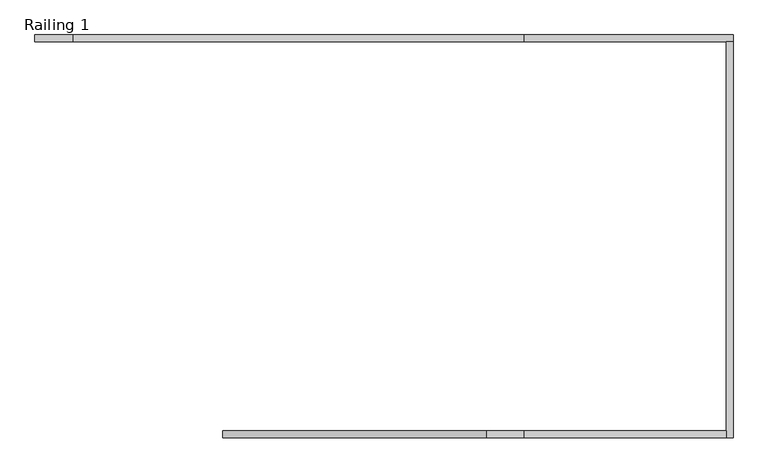
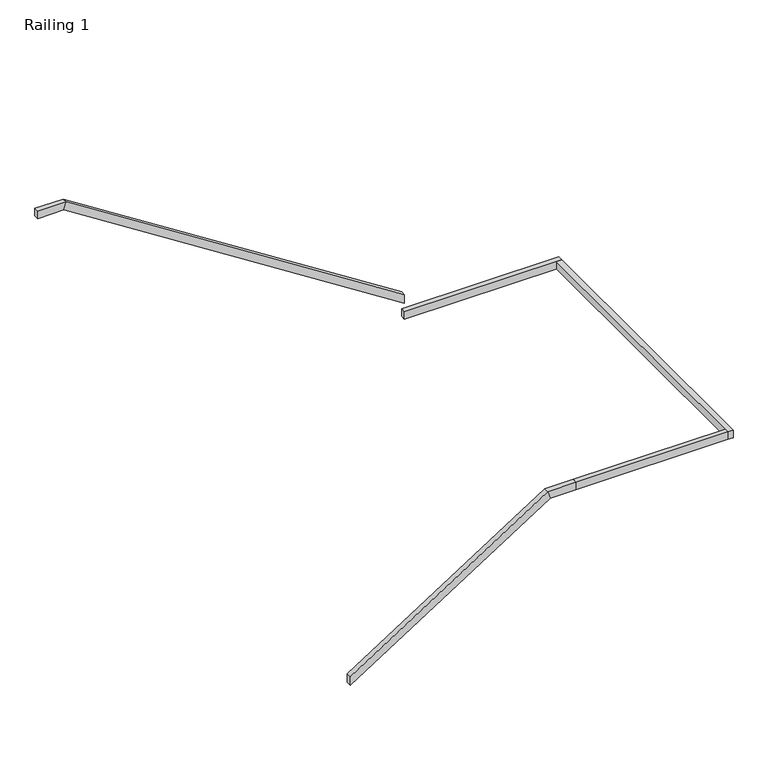
"""IFC4 building model written with IfcOpenShell, lengths in millimetres: railing geometry, Railing 1."""

from ifc_helpers import new_model, si_unit, origin, place, context, project, spatial, faceted_brep, source, transform, mapped, element, save


def railing_1_65758734(model_context):
    return source(origin(), model_context, "Body", "Brep", [
        faceted_brep([(16100.0, 9950.8, 1079.2941176), (16100.0, 9950.8, 988.8106567), (16100.0, 9900.0, 988.8106567), (16100.0, 9900.0, 1079.2941176), (18060.0, 9950.8, 2334.3529412), (18082.3061924, 9950.8, 2258.1529412), (18082.3061924, 9900.0, 2258.1529412), (18060.0, 9900.0, 2334.3529412), (18340.0, 9950.8, 2334.3529412), (18340.0, 9900.0, 2334.3529412), (18340.0, 9900.0, 2258.1529412), (18340.0, 9950.8, 2258.1529412)], [[[0, 1, 2, 3]], [[1, 0, 4, 5]], [[2, 1, 5, 6]], [[3, 2, 6, 7]], [[0, 3, 7, 4]], [[8, 9, 10, 11]], [[5, 4, 8, 11]], [[6, 5, 11, 10]], [[7, 6, 10, 9]], [[4, 7, 9, 8]]]),
        faceted_brep([(18340.0, 9950.8, 2334.3529412), (18340.0, 9950.8, 2258.1529412), (18340.0, 9900.0, 2258.1529412), (18340.0, 9900.0, 2334.3529412), (19849.2, 9950.8, 2334.3529412), (19849.2, 9900.0, 2334.3529412), (19849.2, 9900.0, 2258.1529412), (19849.2, 9950.8, 2258.1529412)], [[[0, 1, 2, 3]], [[4, 5, 6, 7]], [[1, 0, 4, 7]], [[2, 1, 7, 6]], [[3, 2, 6, 5]], [[0, 3, 5, 4]]]),
        faceted_brep([(19849.2, 9900.0, 2334.3529412), (19849.2, 9900.0, 2258.1529412), (19900.0, 9900.0, 2258.1529412), (19900.0, 9900.0, 2334.3529412), (19849.2, 12849.2, 2334.3529412), (19900.0, 12849.2, 2334.3529412), (19900.0, 12849.2, 2258.1529412), (19849.2, 12849.2, 2258.1529412)], [[[0, 1, 2, 3]], [[4, 5, 6, 7]], [[1, 0, 4, 7]], [[2, 1, 7, 6]], [[3, 2, 6, 5]], [[0, 3, 5, 4]]]),
        faceted_brep([(19900.0, 12849.2, 2334.3529412), (19900.0, 12849.2, 2258.1529412), (19900.0, 12900.0, 2258.1529412), (19900.0, 12900.0, 2334.3529412), (18340.0, 12849.2, 2334.3529412), (18340.0, 12900.0, 2334.3529412), (18340.0, 12900.0, 2258.1529412), (18340.0, 12849.2, 2258.1529412)], [[[0, 1, 2, 3]], [[4, 5, 6, 7]], [[1, 0, 4, 7]], [[2, 1, 7, 6]], [[3, 2, 6, 5]], [[0, 3, 5, 4]]]),
        faceted_brep([(18340.0, 12849.2, 2513.6470588), (18340.0, 12849.2, 2423.1635978), (18340.0, 12900.0, 2423.1635978), (18340.0, 12900.0, 2513.6470588), (14980.0, 12849.2, 4665.1764706), (14957.6938076, 12849.2, 4588.9764706), (14957.6938076, 12900.0, 4588.9764706), (14980.0, 12900.0, 4665.1764706), (14700.0, 12849.2, 4665.1764706), (14700.0, 12900.0, 4665.1764706), (14700.0, 12900.0, 4588.9764706), (14700.0, 12849.2, 4588.9764706)], [[[0, 1, 2, 3]], [[1, 0, 4, 5]], [[2, 1, 5, 6]], [[3, 2, 6, 7]], [[0, 3, 7, 4]], [[8, 9, 10, 11]], [[5, 4, 8, 11]], [[6, 5, 11, 10]], [[7, 6, 10, 9]], [[4, 7, 9, 8]]]),
    ])


if __name__ == "__main__":
    model = new_model("IFC4")
    model_context = context("Model", 3, world=origin())
    ifc_project = project(units=[si_unit("LENGTHUNIT", "METRE", prefix="MILLI")], contexts=[model_context])
    site = spatial("IfcSite", under=ifc_project)
    building = spatial("IfcBuilding", under=site)
    placement = place(None, origin())
    railing_1_shape = railing_1_65758734(model_context)
    element("IfcRailing", 1, ObjectType="Railing 1", at=placement, inside=building, context=model_context, shape_type="MappedRepresentation", body=[
        mapped(railing_1_shape, transform((0.0, 0.0, 0.0), x_axis=(1.0, 0.0, 0.0), y_axis=(0.0, 1.0, 0.0), z_axis=(0.0, 0.0, 1.0))),
    ])
    save(model, "model.ifc")
